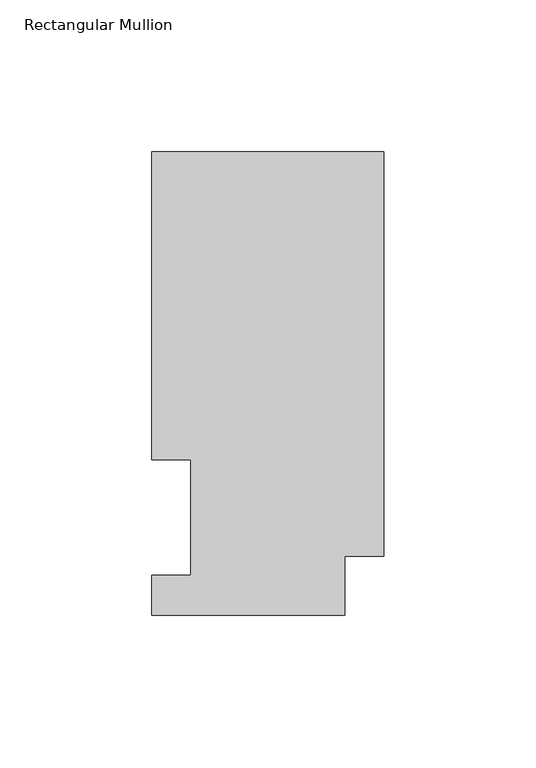
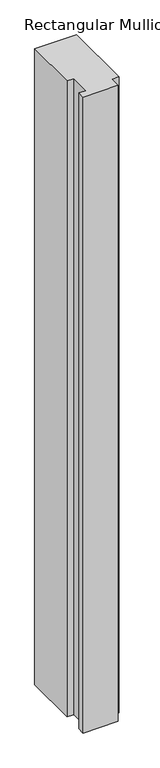
"""IFC4 building model written with IfcOpenShell, lengths in millimetres: member geometry, Rectangular Mullion."""

from ifc_helpers import new_model, si_unit, frame, origin, place, context, project, spatial, polyline, outline, extrude, source, transform, mapped, element, save


def rectangular_mullion_ed3caa48(model_context):
    return source(origin(), model_context, "Body", "SweptSolid", [
        extrude(outline(polyline([(0.0, 152.4896938), (0.0, 19.5455957), (-12.7, 19.5455957), (-12.7, 0.0134938), (-76.2, 0.0134938), (-76.2, 13.1960938), (-63.5, 13.1960938), (-63.5, 51.2960938), (-76.2, 51.2960938), (-76.2, 152.4896938), (0.0, 152.4896938)])), frame((0.0, 0.0, -1219.2), z_axis=(0.0, 0.0, 1.0), x_axis=(1.0, 0.0, 0.0)), (0.0, 0.0, 1.0), 1219.2),
    ])


if __name__ == "__main__":
    model = new_model("IFC4")
    model_context = context("Model", 3, world=origin())
    ifc_project = project(units=[si_unit("LENGTHUNIT", "METRE", prefix="MILLI")], contexts=[model_context])
    site = spatial("IfcSite", under=ifc_project)
    building = spatial("IfcBuilding", under=site)
    placement = place(None, origin())
    rectangular_mullion_shape = rectangular_mullion_ed3caa48(model_context)
    element("IfcMember", 1, ObjectType="Rectangular Mullion", at=placement, inside=building, context=model_context, shape_type="MappedRepresentation", body=[
        mapped(rectangular_mullion_shape, transform((0.0, 0.0, 0.0), x_axis=(1.0, 0.0, 0.0), y_axis=(0.0, 1.0, 0.0), z_axis=(0.0, 0.0, 1.0))),
    ])
    save(model, "model.ifc")
